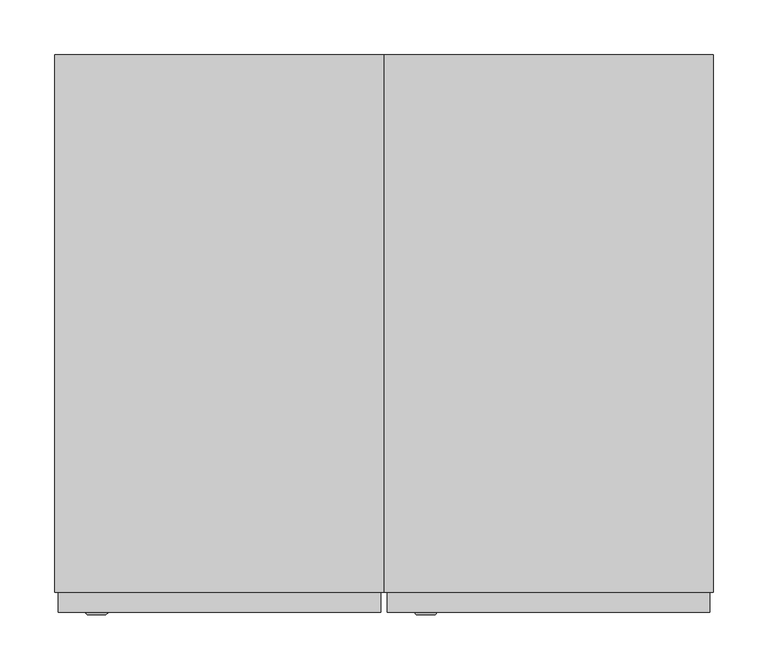
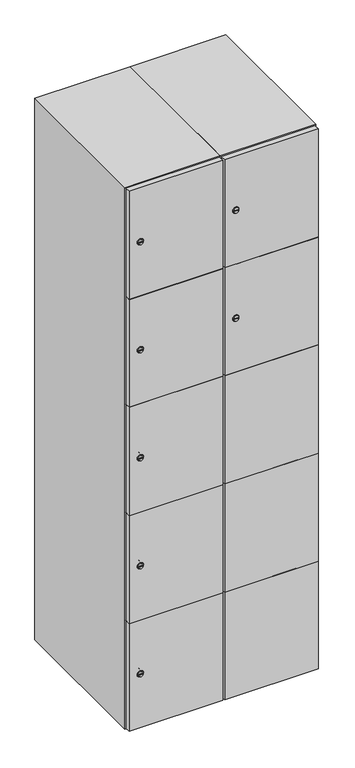
"""IFC4 building model written with IfcOpenShell, lengths in millimetres: furniture geometry."""

from ifc_helpers import new_model, si_unit, point, frame, frame_2d, origin, place, context, project, spatial, polyline, circle_curve, trimmed, segment, composite_curve, outline, extrude, faceted_brep, source, transform, mapped, element, save
from ifc_brep_helpers import plane_surface, revolved_surface, advanced_brep


def furniture_a1bbd31c(model_context):
    return source(origin(), model_context, "Body", "SolidModel", [
        advanced_brep(
        [(146.5, -265.2, 1358.8), (129.5, -265.2, 1358.8), (133.0, -265.2, 1357.55), (133.0, -265.2, 1360.05), (143.0, -265.2, 1360.05), (143.0, -265.2, 1357.55), (148.5, -263.0, 1358.8), (127.5, -263.0, 1358.8), (133.0, -263.0, 1360.05), (133.0, -263.0, 1357.55), (143.0, -263.0, 1357.55), (143.0, -263.0, 1360.05)],
        [
            (0, 1, circle_curve(frame((138.0, -265.2, 1358.8), z_axis=(0.0, -1.0, 0.0), x_axis=(1.0, 0.0, 0.0)), 8.5)),
            (1, 0, circle_curve(frame((138.0, -265.2, 1358.8), z_axis=(0.0, -1.0, 0.0), x_axis=(-1.0, 0.0, 0.0)), 8.5)),
            (2, 3),
            (3, 4),
            (4, 5),
            (5, 2),
            (6, 7, circle_curve(frame((138.0, -263.0, 1358.8), z_axis=(0.0, 1.0, 0.0), x_axis=(-1.0, 0.0, 0.0)), 10.5)),
            (7, 6, circle_curve(frame((138.0, -263.0, 1358.8), z_axis=(0.0, 1.0, 0.0), x_axis=(1.0, 0.0, 0.0)), 10.5)),
            (8, 9),
            (9, 10),
            (10, 11),
            (11, 8),
            (0, 6),
            (7, 1),
            (8, 3),
            (2, 9),
            (11, 4),
            (10, 5),
        ],
        [
            plane_surface(frame((138.0, -265.2, 1358.8), z_axis=(0.0, -1.0, 0.0), x_axis=(0.0, 0.0, 1.0))),
            plane_surface(frame((138.0, -263.0, 1358.8), z_axis=(0.0, 1.0, 0.0), x_axis=(0.0, 0.0, 1.0))),
            revolved_surface(polyline([(146.5, -265.2, 1358.8), (148.5, -263.0, 1358.8)]), (138.0, -274.55, 1358.8), (0.0, 1.0, 0.0)),
            revolved_surface(polyline([(129.5, -265.2, 1358.8), (127.5, -263.0, 1358.8)]), (138.0, -274.55, 1358.8), (0.0, 1.0, 0.0)),
            plane_surface(frame((133.0, -263.0, 1357.55), z_axis=(1.0, 0.0, 0.0), x_axis=(0.0, -1.0, 0.0))),
            plane_surface(frame((133.0, -263.0, 1360.05), z_axis=(0.0, 0.0, -1.0), x_axis=(0.0, -1.0, 0.0))),
            plane_surface(frame((143.0, -263.0, 1360.05), z_axis=(-1.0, 0.0, 0.0), x_axis=(0.0, -1.0, 0.0))),
            plane_surface(frame((143.0, -263.0, 1357.55), z_axis=(0.0, 0.0, 1.0), x_axis=(0.0, -1.0, 0.0))),
        ],
        [
            (0, [[1, 2], [3, 4, 5, 6]]),
            (1, [[7, 8], [9, 10, 11, 12]]),
            (2, [[-1, 13, -8, 14]]),
            (3, [[-2, -14, -7, -13]]),
            (4, [[15, -3, 16, -9]]),
            (5, [[-15, -12, 17, -4]]),
            (6, [[-17, -11, 18, -5]]),
            (7, [[-16, -6, -18, -10]]),
        ],
    ),
        extrude(outline(composite_curve([segment(trimmed(circle_curve(frame_2d((1717.6, 111.2010534)), 7.0), [point((1724.6, 111.2010534))], [point((1710.6, 111.2010534))], False, "CARTESIAN"), True, "CONTINUOUS"), segment(polyline([(1710.6, 111.2010534), (1710.6, 139.2010534)]), True, "CONTINUOUS"), segment(trimmed(circle_curve(frame_2d((1717.6, 139.2010534)), 7.0), [point((1710.6, 139.2010534))], [point((1724.6, 139.2010534))], False, "CARTESIAN"), True, "CONTINUOUS"), segment(polyline([(1724.6, 139.2010534), (1724.6, 111.2010534)]), True, "CONTINUOUS")], self_intersect=False)), frame((0.0, -245.0, 0.0), z_axis=(0.0, 1.0, 0.0), x_axis=(0.0, 0.0, 1.0)), (0.0, 0.0, 1.0), 2.0),
        advanced_brep(
        [(146.5, -265.2, 1717.6), (129.5, -265.2, 1717.6), (133.0, -265.2, 1716.35), (133.0, -265.2, 1718.85), (143.0, -265.2, 1718.85), (143.0, -265.2, 1716.35), (148.5, -263.0, 1717.6), (127.5, -263.0, 1717.6), (133.0, -263.0, 1718.85), (133.0, -263.0, 1716.35), (143.0, -263.0, 1716.35), (143.0, -263.0, 1718.85)],
        [
            (0, 1, circle_curve(frame((138.0, -265.2, 1717.6), z_axis=(0.0, -1.0, 0.0), x_axis=(1.0, 0.0, 0.0)), 8.5)),
            (1, 0, circle_curve(frame((138.0, -265.2, 1717.6), z_axis=(0.0, -1.0, 0.0), x_axis=(-1.0, 0.0, 0.0)), 8.5)),
            (2, 3),
            (3, 4),
            (4, 5),
            (5, 2),
            (6, 7, circle_curve(frame((138.0, -263.0, 1717.6), z_axis=(0.0, 1.0, 0.0), x_axis=(-1.0, 0.0, 0.0)), 10.5)),
            (7, 6, circle_curve(frame((138.0, -263.0, 1717.6), z_axis=(0.0, 1.0, 0.0), x_axis=(1.0, 0.0, 0.0)), 10.5)),
            (8, 9),
            (9, 10),
            (10, 11),
            (11, 8),
            (0, 6),
            (7, 1),
            (8, 3),
            (2, 9),
            (11, 4),
            (10, 5),
        ],
        [
            plane_surface(frame((138.0, -265.2, 1717.6), z_axis=(0.0, -1.0, 0.0), x_axis=(0.0, 0.0, 1.0))),
            plane_surface(frame((138.0, -263.0, 1717.6), z_axis=(0.0, 1.0, 0.0), x_axis=(0.0, 0.0, 1.0))),
            revolved_surface(polyline([(146.5, -265.2, 1717.6), (148.5, -263.0, 1717.6)]), (138.0, -274.55, 1717.6), (0.0, 1.0, 0.0)),
            revolved_surface(polyline([(129.5, -265.2, 1717.6), (127.5, -263.0, 1717.6)]), (138.0, -274.55, 1717.6), (0.0, 1.0, 0.0)),
            plane_surface(frame((133.0, -263.0, 1716.35), z_axis=(1.0, 0.0, 0.0), x_axis=(0.0, -1.0, 0.0))),
            plane_surface(frame((133.0, -263.0, 1718.85), z_axis=(0.0, 0.0, -1.0), x_axis=(0.0, -1.0, 0.0))),
            plane_surface(frame((143.0, -263.0, 1718.85), z_axis=(-1.0, 0.0, 0.0), x_axis=(0.0, -1.0, 0.0))),
            plane_surface(frame((143.0, -263.0, 1716.35), z_axis=(0.0, 0.0, 1.0), x_axis=(0.0, -1.0, 0.0))),
        ],
        [
            (0, [[1, 2], [3, 4, 5, 6]]),
            (1, [[7, 8], [9, 10, 11, 12]]),
            (2, [[-1, 13, -8, 14]]),
            (3, [[-2, -14, -7, -13]]),
            (4, [[15, -3, 16, -9]]),
            (5, [[-15, -12, 17, -4]]),
            (6, [[-17, -11, 18, -5]]),
            (7, [[-16, -6, -18, -10]]),
        ],
    ),
        extrude(outline(polyline([(397.0, -245.0), (397.0, -263.0), (103.0, -263.0), (103.0, -245.0), (397.0, -245.0)])), frame((0.0, 0.0, 820.1), z_axis=(0.0, 0.0, 1.0), x_axis=(1.0, 0.0, 0.0)), (0.0, 0.0, 1.0), 359.8),
        extrude(outline(polyline([(397.0, -245.0), (397.0, -263.0), (103.0, -263.0), (103.0, -245.0), (397.0, -245.0)])), frame((0.0, 0.0, 461.3), z_axis=(0.0, 0.0, 1.0), x_axis=(1.0, 0.0, 0.0)), (0.0, 0.0, 1.0), 359.8),
        extrude(outline(polyline([(397.0, -245.0), (397.0, -263.0), (103.0, -263.0), (103.0, -245.0), (397.0, -245.0)])), frame((0.0, 0.0, 1178.9), z_axis=(0.0, 0.0, 1.0), x_axis=(1.0, 0.0, 0.0)), (0.0, 0.0, 1.0), 358.8),
        extrude(outline(polyline([(103.0, -263.0), (103.0, -245.0), (397.0, -245.0), (397.0, -263.0), (103.0, -263.0)])), frame((0.0, 0.0, 1538.7), z_axis=(0.0, 0.0, 1.0), x_axis=(1.0, 0.0, 0.0)), (0.0, 0.0, 1.0), 358.3),
        extrude(outline(polyline([(397.0, -245.0), (397.0, -263.0), (103.0, -263.0), (103.0, -245.0), (397.0, -245.0)])), frame((0.0, 0.0, 103.0), z_axis=(0.0, 0.0, 1.0), x_axis=(1.0, 0.0, 0.0)), (0.0, 0.0, 1.0), 359.3),
        extrude(outline(polyline([(382.0, 227.0), (382.0, -227.0), (118.0, -227.0), (118.0, 227.0), (382.0, 227.0)])), frame((0.0, 0.0, 1520.2), z_axis=(0.0, 0.0, 1.0), x_axis=(1.0, 0.0, 0.0)), (0.0, 0.0, 1.0), 18.0),
        extrude(outline(polyline([(382.0, 227.0), (382.0, -227.0), (118.0, -227.0), (118.0, 227.0), (382.0, 227.0)])), frame((0.0, 0.0, 1167.4), z_axis=(0.0, 0.0, 1.0), x_axis=(1.0, 0.0, 0.0)), (0.0, 0.0, 1.0), 18.0),
        extrude(outline(polyline([(382.0, 227.0), (382.0, -227.0), (118.0, -227.0), (118.0, 227.0), (382.0, 227.0)])), frame((0.0, 0.0, 814.6), z_axis=(0.0, 0.0, 1.0), x_axis=(1.0, 0.0, 0.0)), (0.0, 0.0, 1.0), 18.0),
        extrude(outline(polyline([(118.0, 227.0), (382.0, 227.0), (382.0, -227.0), (118.0, -227.0), (118.0, 227.0)])), frame((0.0, 0.0, 461.8), z_axis=(0.0, 0.0, 1.0), x_axis=(1.0, 0.0, 0.0)), (0.0, 0.0, 1.0), 18.0),
        faceted_brep([(400.0, -245.0, 100.0), (400.0, -245.0, 1900.0), (100.0, -245.0, 1900.0), (100.0, -245.0, 100.0), (382.0, -245.0, 1882.0), (382.0, -245.0, 118.0), (118.0, -245.0, 118.0), (118.0, -245.0, 1882.0), (400.0, 245.0, 100.0), (100.0, 245.0, 100.0), (400.0, 245.0, 1900.0), (100.0, 245.0, 1900.0), (382.0, 227.0, 1882.0), (382.0, 227.0, 118.0), (100.0, 245.0, 1882.0), (118.0, 227.0, 1882.0), (118.0, 227.0, 118.0)], [[[0, 1, 2, 3], [4, 5, 6, 7]], [[8, 0, 3, 9]], [[1, 0, 8, 10]], [[1, 10, 11, 2]], [[4, 12, 13, 5]], [[9, 3, 2, 11, 14]], [[10, 8, 9, 14, 11]], [[12, 15, 16, 13]], [[15, 7, 6, 16]], [[4, 7, 15, 12]], [[6, 5, 13, 16]]]),
        extrude(outline(composite_curve([segment(trimmed(circle_curve(frame_2d((282.4, -188.7989466)), 7.0), [point((289.4, -188.7989466))], [point((275.4, -188.7989466))], False, "CARTESIAN"), True, "CONTINUOUS"), segment(polyline([(275.4, -188.7989466), (275.4, -160.7989466)]), True, "CONTINUOUS"), segment(trimmed(circle_curve(frame_2d((282.4, -160.7989466)), 7.0), [point((275.4, -160.7989466))], [point((289.4, -160.7989466))], False, "CARTESIAN"), True, "CONTINUOUS"), segment(polyline([(289.4, -160.7989466), (289.4, -188.7989466)]), True, "CONTINUOUS")], self_intersect=False)), frame((0.0, -245.0, 0.0), z_axis=(0.0, 1.0, 0.0), x_axis=(0.0, 0.0, 1.0)), (0.0, 0.0, 1.0), 2.0),
        advanced_brep(
        [(-153.5, -265.2, 282.4), (-170.5, -265.2, 282.4), (-167.0, -265.2, 281.15), (-167.0, -265.2, 283.65), (-157.0, -265.2, 283.65), (-157.0, -265.2, 281.15), (-151.5, -263.0, 282.4), (-172.5, -263.0, 282.4), (-167.0, -263.0, 283.65), (-167.0, -263.0, 281.15), (-157.0, -263.0, 281.15), (-157.0, -263.0, 283.65)],
        [
            (0, 1, circle_curve(frame((-162.0, -265.2, 282.4), z_axis=(0.0, -1.0, 0.0), x_axis=(1.0, 0.0, 0.0)), 8.5)),
            (1, 0, circle_curve(frame((-162.0, -265.2, 282.4), z_axis=(0.0, -1.0, 0.0), x_axis=(-1.0, 0.0, 0.0)), 8.5)),
            (2, 3),
            (3, 4),
            (4, 5),
            (5, 2),
            (6, 7, circle_curve(frame((-162.0, -263.0, 282.4), z_axis=(0.0, 1.0, 0.0), x_axis=(-1.0, 0.0, 0.0)), 10.5)),
            (7, 6, circle_curve(frame((-162.0, -263.0, 282.4), z_axis=(0.0, 1.0, 0.0), x_axis=(1.0, 0.0, 0.0)), 10.5)),
            (8, 9),
            (9, 10),
            (10, 11),
            (11, 8),
            (0, 6),
            (7, 1),
            (8, 3),
            (2, 9),
            (11, 4),
            (10, 5),
        ],
        [
            plane_surface(frame((-162.0, -265.2, 282.4), z_axis=(0.0, -1.0, 0.0), x_axis=(0.0, 0.0, 1.0))),
            plane_surface(frame((-162.0, -263.0, 282.4), z_axis=(0.0, 1.0, 0.0), x_axis=(0.0, 0.0, 1.0))),
            revolved_surface(polyline([(-153.5, -265.2, 282.4), (-151.5, -263.0, 282.4)]), (-162.0, -274.55, 282.4), (0.0, 1.0, 0.0)),
            revolved_surface(polyline([(-170.5, -265.2, 282.4), (-172.5, -263.0, 282.4)]), (-162.0, -274.55, 282.4), (0.0, 1.0, 0.0)),
            plane_surface(frame((-167.0, -263.0, 281.15), z_axis=(1.0, 0.0, 0.0), x_axis=(0.0, -1.0, 0.0))),
            plane_surface(frame((-167.0, -263.0, 283.65), z_axis=(0.0, 0.0, -1.0), x_axis=(0.0, -1.0, 0.0))),
            plane_surface(frame((-157.0, -263.0, 283.65), z_axis=(-1.0, 0.0, 0.0), x_axis=(0.0, -1.0, 0.0))),
            plane_surface(frame((-157.0, -263.0, 281.15), z_axis=(0.0, 0.0, 1.0), x_axis=(0.0, -1.0, 0.0))),
        ],
        [
            (0, [[1, 2], [3, 4, 5, 6]]),
            (1, [[7, 8], [9, 10, 11, 12]]),
            (2, [[-1, 13, -8, 14]]),
            (3, [[-2, -14, -7, -13]]),
            (4, [[15, -3, 16, -9]]),
            (5, [[-15, -12, 17, -4]]),
            (6, [[-17, -11, 18, -5]]),
            (7, [[-16, -6, -18, -10]]),
        ],
    ),
        extrude(outline(composite_curve([segment(trimmed(circle_curve(frame_2d((641.2, -188.7989466)), 7.0), [point((648.2, -188.7989466))], [point((634.2, -188.7989466))], False, "CARTESIAN"), True, "CONTINUOUS"), segment(polyline([(634.2, -188.7989466), (634.2, -160.7989466)]), True, "CONTINUOUS"), segment(trimmed(circle_curve(frame_2d((641.2, -160.7989466)), 7.0), [point((634.2, -160.7989466))], [point((648.2, -160.7989466))], False, "CARTESIAN"), True, "CONTINUOUS"), segment(polyline([(648.2, -160.7989466), (648.2, -188.7989466)]), True, "CONTINUOUS")], self_intersect=False)), frame((0.0, -245.0, 0.0), z_axis=(0.0, 1.0, 0.0), x_axis=(0.0, 0.0, 1.0)), (0.0, 0.0, 1.0), 2.0),
        advanced_brep(
        [(-153.5, -265.2, 641.2), (-170.5, -265.2, 641.2), (-167.0, -265.2, 639.95), (-167.0, -265.2, 642.45), (-157.0, -265.2, 642.45), (-157.0, -265.2, 639.95), (-151.5, -263.0, 641.2), (-172.5, -263.0, 641.2), (-167.0, -263.0, 642.45), (-167.0, -263.0, 639.95), (-157.0, -263.0, 639.95), (-157.0, -263.0, 642.45)],
        [
            (0, 1, circle_curve(frame((-162.0, -265.2, 641.2), z_axis=(0.0, -1.0, 0.0), x_axis=(1.0, 0.0, 0.0)), 8.5)),
            (1, 0, circle_curve(frame((-162.0, -265.2, 641.2), z_axis=(0.0, -1.0, 0.0), x_axis=(-1.0, 0.0, 0.0)), 8.5)),
            (2, 3),
            (3, 4),
            (4, 5),
            (5, 2),
            (6, 7, circle_curve(frame((-162.0, -263.0, 641.2), z_axis=(0.0, 1.0, 0.0), x_axis=(-1.0, 0.0, 0.0)), 10.5)),
            (7, 6, circle_curve(frame((-162.0, -263.0, 641.2), z_axis=(0.0, 1.0, 0.0), x_axis=(1.0, 0.0, 0.0)), 10.5)),
            (8, 9),
            (9, 10),
            (10, 11),
            (11, 8),
            (0, 6),
            (7, 1),
            (8, 3),
            (2, 9),
            (11, 4),
            (10, 5),
        ],
        [
            plane_surface(frame((-162.0, -265.2, 641.2), z_axis=(0.0, -1.0, 0.0), x_axis=(0.0, 0.0, 1.0))),
            plane_surface(frame((-162.0, -263.0, 641.2), z_axis=(0.0, 1.0, 0.0), x_axis=(0.0, 0.0, 1.0))),
            revolved_surface(polyline([(-153.5, -265.2, 641.2), (-151.5, -263.0, 641.2)]), (-162.0, -274.55, 641.2), (0.0, 1.0, 0.0)),
            revolved_surface(polyline([(-170.5, -265.2, 641.2), (-172.5, -263.0, 641.2)]), (-162.0, -274.55, 641.2), (0.0, 1.0, 0.0)),
            plane_surface(frame((-167.0, -263.0, 639.95), z_axis=(1.0, 0.0, 0.0), x_axis=(0.0, -1.0, 0.0))),
            plane_surface(frame((-167.0, -263.0, 642.45), z_axis=(0.0, 0.0, -1.0), x_axis=(0.0, -1.0, 0.0))),
            plane_surface(frame((-157.0, -263.0, 642.45), z_axis=(-1.0, 0.0, 0.0), x_axis=(0.0, -1.0, 0.0))),
            plane_surface(frame((-157.0, -263.0, 639.95), z_axis=(0.0, 0.0, 1.0), x_axis=(0.0, -1.0, 0.0))),
        ],
        [
            (0, [[1, 2], [3, 4, 5, 6]]),
            (1, [[7, 8], [9, 10, 11, 12]]),
            (2, [[-1, 13, -8, 14]]),
            (3, [[-2, -14, -7, -13]]),
            (4, [[15, -3, 16, -9]]),
            (5, [[-15, -12, 17, -4]]),
            (6, [[-17, -11, 18, -5]]),
            (7, [[-16, -6, -18, -10]]),
        ],
    ),
        extrude(outline(composite_curve([segment(trimmed(circle_curve(frame_2d((1000.0, -188.7989466)), 7.0), [point((1007.0, -188.7989466))], [point((993.0, -188.7989466))], False, "CARTESIAN"), True, "CONTINUOUS"), segment(polyline([(993.0, -188.7989466), (993.0, -160.7989466)]), True, "CONTINUOUS"), segment(trimmed(circle_curve(frame_2d((1000.0, -160.7989466)), 7.0), [point((993.0, -160.7989466))], [point((1007.0, -160.7989466))], False, "CARTESIAN"), True, "CONTINUOUS"), segment(polyline([(1007.0, -160.7989466), (1007.0, -188.7989466)]), True, "CONTINUOUS")], self_intersect=False)), frame((0.0, -245.0, 0.0), z_axis=(0.0, 1.0, 0.0), x_axis=(0.0, 0.0, 1.0)), (0.0, 0.0, 1.0), 2.0),
        advanced_brep(
        [(-153.5, -265.2, 1000.0), (-170.5, -265.2, 1000.0), (-167.0, -265.2, 998.75), (-167.0, -265.2, 1001.25), (-157.0, -265.2, 1001.25), (-157.0, -265.2, 998.75), (-151.5, -263.0, 1000.0), (-172.5, -263.0, 1000.0), (-167.0, -263.0, 1001.25), (-167.0, -263.0, 998.75), (-157.0, -263.0, 998.75), (-157.0, -263.0, 1001.25)],
        [
            (0, 1, circle_curve(frame((-162.0, -265.2, 1000.0), z_axis=(0.0, -1.0, 0.0), x_axis=(1.0, 0.0, 0.0)), 8.5)),
            (1, 0, circle_curve(frame((-162.0, -265.2, 1000.0), z_axis=(0.0, -1.0, 0.0), x_axis=(-1.0, 0.0, 0.0)), 8.5)),
            (2, 3),
            (3, 4),
            (4, 5),
            (5, 2),
            (6, 7, circle_curve(frame((-162.0, -263.0, 1000.0), z_axis=(0.0, 1.0, 0.0), x_axis=(-1.0, 0.0, 0.0)), 10.5)),
            (7, 6, circle_curve(frame((-162.0, -263.0, 1000.0), z_axis=(0.0, 1.0, 0.0), x_axis=(1.0, 0.0, 0.0)), 10.5)),
            (8, 9),
            (9, 10),
            (10, 11),
            (11, 8),
            (0, 6),
            (7, 1),
            (8, 3),
            (2, 9),
            (11, 4),
            (10, 5),
        ],
        [
            plane_surface(frame((-162.0, -265.2, 1000.0), z_axis=(0.0, -1.0, 0.0), x_axis=(0.0, 0.0, 1.0))),
            plane_surface(frame((-162.0, -263.0, 1000.0), z_axis=(0.0, 1.0, 0.0), x_axis=(0.0, 0.0, 1.0))),
            revolved_surface(polyline([(-153.5, -265.2, 1000.0), (-151.5, -263.0, 1000.0)]), (-162.0, -274.55, 1000.0), (0.0, 1.0, 0.0)),
            revolved_surface(polyline([(-170.5, -265.2, 1000.0), (-172.5, -263.0, 1000.0)]), (-162.0, -274.55, 1000.0), (0.0, 1.0, 0.0)),
            plane_surface(frame((-167.0, -263.0, 998.75), z_axis=(1.0, 0.0, 0.0), x_axis=(0.0, -1.0, 0.0))),
            plane_surface(frame((-167.0, -263.0, 1001.25), z_axis=(0.0, 0.0, -1.0), x_axis=(0.0, -1.0, 0.0))),
            plane_surface(frame((-157.0, -263.0, 1001.25), z_axis=(-1.0, 0.0, 0.0), x_axis=(0.0, -1.0, 0.0))),
            plane_surface(frame((-157.0, -263.0, 998.75), z_axis=(0.0, 0.0, 1.0), x_axis=(0.0, -1.0, 0.0))),
        ],
        [
            (0, [[1, 2], [3, 4, 5, 6]]),
            (1, [[7, 8], [9, 10, 11, 12]]),
            (2, [[-1, 13, -8, 14]]),
            (3, [[-2, -14, -7, -13]]),
            (4, [[15, -3, 16, -9]]),
            (5, [[-15, -12, 17, -4]]),
            (6, [[-17, -11, 18, -5]]),
            (7, [[-16, -6, -18, -10]]),
        ],
    ),
        extrude(outline(composite_curve([segment(trimmed(circle_curve(frame_2d((1358.8, -188.7989466)), 7.0), [point((1365.8, -188.7989466))], [point((1351.8, -188.7989466))], False, "CARTESIAN"), True, "CONTINUOUS"), segment(polyline([(1351.8, -188.7989466), (1351.8, -160.7989466)]), True, "CONTINUOUS"), segment(trimmed(circle_curve(frame_2d((1358.8, -160.7989466)), 7.0), [point((1351.8, -160.7989466))], [point((1365.8, -160.7989466))], False, "CARTESIAN"), True, "CONTINUOUS"), segment(polyline([(1365.8, -160.7989466), (1365.8, -188.7989466)]), True, "CONTINUOUS")], self_intersect=False)), frame((0.0, -245.0, 0.0), z_axis=(0.0, 1.0, 0.0), x_axis=(0.0, 0.0, 1.0)), (0.0, 0.0, 1.0), 2.0),
        advanced_brep(
        [(-153.5, -265.2, 1358.8), (-170.5, -265.2, 1358.8), (-167.0, -265.2, 1357.55), (-167.0, -265.2, 1360.05), (-157.0, -265.2, 1360.05), (-157.0, -265.2, 1357.55), (-151.5, -263.0, 1358.8), (-172.5, -263.0, 1358.8), (-167.0, -263.0, 1360.05), (-167.0, -263.0, 1357.55), (-157.0, -263.0, 1357.55), (-157.0, -263.0, 1360.05)],
        [
            (0, 1, circle_curve(frame((-162.0, -265.2, 1358.8), z_axis=(0.0, -1.0, 0.0), x_axis=(1.0, 0.0, 0.0)), 8.5)),
            (1, 0, circle_curve(frame((-162.0, -265.2, 1358.8), z_axis=(0.0, -1.0, 0.0), x_axis=(-1.0, 0.0, 0.0)), 8.5)),
            (2, 3),
            (3, 4),
            (4, 5),
            (5, 2),
            (6, 7, circle_curve(frame((-162.0, -263.0, 1358.8), z_axis=(0.0, 1.0, 0.0), x_axis=(-1.0, 0.0, 0.0)), 10.5)),
            (7, 6, circle_curve(frame((-162.0, -263.0, 1358.8), z_axis=(0.0, 1.0, 0.0), x_axis=(1.0, 0.0, 0.0)), 10.5)),
            (8, 9),
            (9, 10),
            (10, 11),
            (11, 8),
            (0, 6),
            (7, 1),
            (8, 3),
            (2, 9),
            (11, 4),
            (10, 5),
        ],
        [
            plane_surface(frame((-162.0, -265.2, 1358.8), z_axis=(0.0, -1.0, 0.0), x_axis=(0.0, 0.0, 1.0))),
            plane_surface(frame((-162.0, -263.0, 1358.8), z_axis=(0.0, 1.0, 0.0), x_axis=(0.0, 0.0, 1.0))),
            revolved_surface(polyline([(-153.5, -265.2, 1358.8), (-151.5, -263.0, 1358.8)]), (-162.0, -274.55, 1358.8), (0.0, 1.0, 0.0)),
            revolved_surface(polyline([(-170.5, -265.2, 1358.8), (-172.5, -263.0, 1358.8)]), (-162.0, -274.55, 1358.8), (0.0, 1.0, 0.0)),
            plane_surface(frame((-167.0, -263.0, 1357.55), z_axis=(1.0, 0.0, 0.0), x_axis=(0.0, -1.0, 0.0))),
            plane_surface(frame((-167.0, -263.0, 1360.05), z_axis=(0.0, 0.0, -1.0), x_axis=(0.0, -1.0, 0.0))),
            plane_surface(frame((-157.0, -263.0, 1360.05), z_axis=(-1.0, 0.0, 0.0), x_axis=(0.0, -1.0, 0.0))),
            plane_surface(frame((-157.0, -263.0, 1357.55), z_axis=(0.0, 0.0, 1.0), x_axis=(0.0, -1.0, 0.0))),
        ],
        [
            (0, [[1, 2], [3, 4, 5, 6]]),
            (1, [[7, 8], [9, 10, 11, 12]]),
            (2, [[-1, 13, -8, 14]]),
            (3, [[-2, -14, -7, -13]]),
            (4, [[15, -3, 16, -9]]),
            (5, [[-15, -12, 17, -4]]),
            (6, [[-17, -11, 18, -5]]),
            (7, [[-16, -6, -18, -10]]),
        ],
    ),
        extrude(outline(composite_curve([segment(trimmed(circle_curve(frame_2d((1717.6, -188.7989466)), 7.0), [point((1724.6, -188.7989466))], [point((1710.6, -188.7989466))], False, "CARTESIAN"), True, "CONTINUOUS"), segment(polyline([(1710.6, -188.7989466), (1710.6, -160.7989466)]), True, "CONTINUOUS"), segment(trimmed(circle_curve(frame_2d((1717.6, -160.7989466)), 7.0), [point((1710.6, -160.7989466))], [point((1724.6, -160.7989466))], False, "CARTESIAN"), True, "CONTINUOUS"), segment(polyline([(1724.6, -160.7989466), (1724.6, -188.7989466)]), True, "CONTINUOUS")], self_intersect=False)), frame((0.0, -245.0, 0.0), z_axis=(0.0, 1.0, 0.0), x_axis=(0.0, 0.0, 1.0)), (0.0, 0.0, 1.0), 2.0),
        advanced_brep(
        [(-153.5, -265.2, 1717.6), (-170.5, -265.2, 1717.6), (-167.0, -265.2, 1716.35), (-167.0, -265.2, 1718.85), (-157.0, -265.2, 1718.85), (-157.0, -265.2, 1716.35), (-151.5, -263.0, 1717.6), (-172.5, -263.0, 1717.6), (-167.0, -263.0, 1718.85), (-167.0, -263.0, 1716.35), (-157.0, -263.0, 1716.35), (-157.0, -263.0, 1718.85)],
        [
            (0, 1, circle_curve(frame((-162.0, -265.2, 1717.6), z_axis=(0.0, -1.0, 0.0), x_axis=(1.0, 0.0, 0.0)), 8.5)),
            (1, 0, circle_curve(frame((-162.0, -265.2, 1717.6), z_axis=(0.0, -1.0, 0.0), x_axis=(-1.0, 0.0, 0.0)), 8.5)),
            (2, 3),
            (3, 4),
            (4, 5),
            (5, 2),
            (6, 7, circle_curve(frame((-162.0, -263.0, 1717.6), z_axis=(0.0, 1.0, 0.0), x_axis=(-1.0, 0.0, 0.0)), 10.5)),
            (7, 6, circle_curve(frame((-162.0, -263.0, 1717.6), z_axis=(0.0, 1.0, 0.0), x_axis=(1.0, 0.0, 0.0)), 10.5)),
            (8, 9),
            (9, 10),
            (10, 11),
            (11, 8),
            (0, 6),
            (7, 1),
            (8, 3),
            (2, 9),
            (11, 4),
            (10, 5),
        ],
        [
            plane_surface(frame((-162.0, -265.2, 1717.6), z_axis=(0.0, -1.0, 0.0), x_axis=(0.0, 0.0, 1.0))),
            plane_surface(frame((-162.0, -263.0, 1717.6), z_axis=(0.0, 1.0, 0.0), x_axis=(0.0, 0.0, 1.0))),
            revolved_surface(polyline([(-153.5, -265.2, 1717.6), (-151.5, -263.0, 1717.6)]), (-162.0, -274.55, 1717.6), (0.0, 1.0, 0.0)),
            revolved_surface(polyline([(-170.5, -265.2, 1717.6), (-172.5, -263.0, 1717.6)]), (-162.0, -274.55, 1717.6), (0.0, 1.0, 0.0)),
            plane_surface(frame((-167.0, -263.0, 1716.35), z_axis=(1.0, 0.0, 0.0), x_axis=(0.0, -1.0, 0.0))),
            plane_surface(frame((-167.0, -263.0, 1718.85), z_axis=(0.0, 0.0, -1.0), x_axis=(0.0, -1.0, 0.0))),
            plane_surface(frame((-157.0, -263.0, 1718.85), z_axis=(-1.0, 0.0, 0.0), x_axis=(0.0, -1.0, 0.0))),
            plane_surface(frame((-157.0, -263.0, 1716.35), z_axis=(0.0, 0.0, 1.0), x_axis=(0.0, -1.0, 0.0))),
        ],
        [
            (0, [[1, 2], [3, 4, 5, 6]]),
            (1, [[7, 8], [9, 10, 11, 12]]),
            (2, [[-1, 13, -8, 14]]),
            (3, [[-2, -14, -7, -13]]),
            (4, [[15, -3, 16, -9]]),
            (5, [[-15, -12, 17, -4]]),
            (6, [[-17, -11, 18, -5]]),
            (7, [[-16, -6, -18, -10]]),
        ],
    ),
        extrude(outline(polyline([(97.0, -245.0), (97.0, -263.0), (-197.0, -263.0), (-197.0, -245.0), (97.0, -245.0)])), frame((0.0, 0.0, 820.1), z_axis=(0.0, 0.0, 1.0), x_axis=(1.0, 0.0, 0.0)), (0.0, 0.0, 1.0), 359.8),
        extrude(outline(polyline([(97.0, -245.0), (97.0, -263.0), (-197.0, -263.0), (-197.0, -245.0), (97.0, -245.0)])), frame((0.0, 0.0, 461.3), z_axis=(0.0, 0.0, 1.0), x_axis=(1.0, 0.0, 0.0)), (0.0, 0.0, 1.0), 359.8),
        extrude(outline(polyline([(97.0, -245.0), (97.0, -263.0), (-197.0, -263.0), (-197.0, -245.0), (97.0, -245.0)])), frame((0.0, 0.0, 1178.9), z_axis=(0.0, 0.0, 1.0), x_axis=(1.0, 0.0, 0.0)), (0.0, 0.0, 1.0), 358.8),
        extrude(outline(polyline([(-197.0, -263.0), (-197.0, -245.0), (97.0, -245.0), (97.0, -263.0), (-197.0, -263.0)])), frame((0.0, 0.0, 1538.7), z_axis=(0.0, 0.0, 1.0), x_axis=(1.0, 0.0, 0.0)), (0.0, 0.0, 1.0), 358.3),
        extrude(outline(polyline([(97.0, -245.0), (97.0, -263.0), (-197.0, -263.0), (-197.0, -245.0), (97.0, -245.0)])), frame((0.0, 0.0, 103.0), z_axis=(0.0, 0.0, 1.0), x_axis=(1.0, 0.0, 0.0)), (0.0, 0.0, 1.0), 359.3),
        extrude(outline(polyline([(82.0, 227.0), (82.0, -227.0), (-182.0, -227.0), (-182.0, 227.0), (82.0, 227.0)])), frame((0.0, 0.0, 1520.2), z_axis=(0.0, 0.0, 1.0), x_axis=(1.0, 0.0, 0.0)), (0.0, 0.0, 1.0), 18.0),
        extrude(outline(polyline([(82.0, 227.0), (82.0, -227.0), (-182.0, -227.0), (-182.0, 227.0), (82.0, 227.0)])), frame((0.0, 0.0, 1167.4), z_axis=(0.0, 0.0, 1.0), x_axis=(1.0, 0.0, 0.0)), (0.0, 0.0, 1.0), 18.0),
        extrude(outline(polyline([(82.0, 227.0), (82.0, -227.0), (-182.0, -227.0), (-182.0, 227.0), (82.0, 227.0)])), frame((0.0, 0.0, 814.6), z_axis=(0.0, 0.0, 1.0), x_axis=(1.0, 0.0, 0.0)), (0.0, 0.0, 1.0), 18.0),
        extrude(outline(polyline([(-182.0, 227.0), (82.0, 227.0), (82.0, -227.0), (-182.0, -227.0), (-182.0, 227.0)])), frame((0.0, 0.0, 461.8), z_axis=(0.0, 0.0, 1.0), x_axis=(1.0, 0.0, 0.0)), (0.0, 0.0, 1.0), 18.0),
        faceted_brep([(100.0, -245.0, 100.0), (100.0, -245.0, 1900.0), (-200.0, -245.0, 1900.0), (-200.0, -245.0, 100.0), (82.0, -245.0, 1882.0), (82.0, -245.0, 118.0), (-182.0, -245.0, 118.0), (-182.0, -245.0, 1882.0), (100.0, 245.0, 100.0), (-200.0, 245.0, 100.0), (100.0, 245.0, 1900.0), (-200.0, 245.0, 1900.0), (82.0, 227.0, 1882.0), (82.0, 227.0, 118.0), (-200.0, 245.0, 1882.0), (-182.0, 227.0, 1882.0), (-182.0, 227.0, 118.0)], [[[0, 1, 2, 3], [4, 5, 6, 7]], [[8, 0, 3, 9]], [[1, 0, 8, 10]], [[1, 10, 11, 2]], [[4, 12, 13, 5]], [[9, 3, 2, 11, 14]], [[10, 8, 9, 14, 11]], [[12, 15, 16, 13]], [[15, 7, 6, 16]], [[4, 7, 15, 12]], [[6, 5, 13, 16]]]),
    ])


if __name__ == "__main__":
    model = new_model("IFC4")
    model_context = context("Model", 3, world=origin())
    ifc_project = project(units=[si_unit("LENGTHUNIT", "METRE", prefix="MILLI")], contexts=[model_context])
    site = spatial("IfcSite", under=ifc_project)
    building = spatial("IfcBuilding", under=site)
    placement = place(None, origin())
    furniture_shape = furniture_a1bbd31c(model_context)
    element("IfcFurniture", 1, at=placement, inside=building, context=model_context, shape_type="MappedRepresentation", body=[
        mapped(furniture_shape, transform((0.0, 0.0, 0.0), x_axis=(1.0, 0.0, 0.0), y_axis=(0.0, 1.0, 0.0), z_axis=(0.0, 0.0, 1.0))),
    ])
    save(model, "model.ifc")
